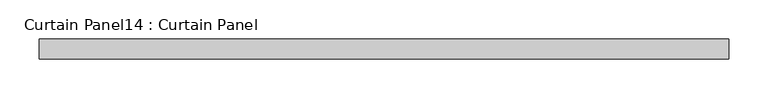
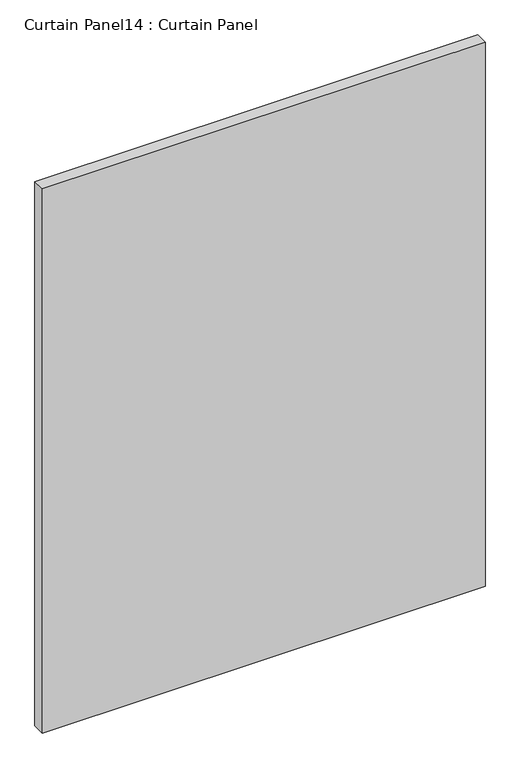
"""IFC4 building model written with IfcOpenShell, lengths in millimetres: plate geometry, Curtain Panel14 : Curtain Panel."""

from ifc_helpers import new_model, si_unit, frame, origin, place, context, project, spatial, polyline, outline, extrude, source, transform, mapped, element, save


def curtain_panel14_curtain_panel_11a2db43(model_context):
    return source(origin(), model_context, "Body", "SweptSolid", [
        extrude(outline(polyline([(-171064.2080404, 7403.2117994), (-171943.6830404, 7403.2117994), (-171943.6830404, 7428.6117994), (-171064.2080404, 7428.6117994), (-171064.2080404, 7403.2117994)])), frame((0.0, 0.0, 2455.8625), z_axis=(0.0, 0.0, 1.0), x_axis=(1.0, 0.0, 0.0)), (0.0, 0.0, 1.0), 1143.0),
    ])


if __name__ == "__main__":
    model = new_model("IFC4")
    model_context = context("Model", 3, world=origin())
    ifc_project = project(units=[si_unit("LENGTHUNIT", "METRE", prefix="MILLI")], contexts=[model_context])
    site = spatial("IfcSite", under=ifc_project)
    building = spatial("IfcBuilding", under=site)
    placement = place(None, origin())
    curtain_panel14_curtain_panel_shape = curtain_panel14_curtain_panel_11a2db43(model_context)
    element("IfcPlate", 1, ObjectType="Curtain Panel14 : Curtain Panel", at=placement, inside=building, context=model_context, shape_type="MappedRepresentation", body=[
        mapped(curtain_panel14_curtain_panel_shape, transform((0.0, 0.0, 0.0), x_axis=(1.0, 0.0, 0.0), y_axis=(0.0, 1.0, 0.0), z_axis=(0.0, 0.0, 1.0))),
    ])
    save(model, "model.ifc")
